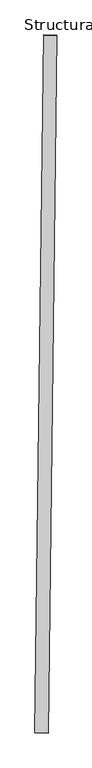
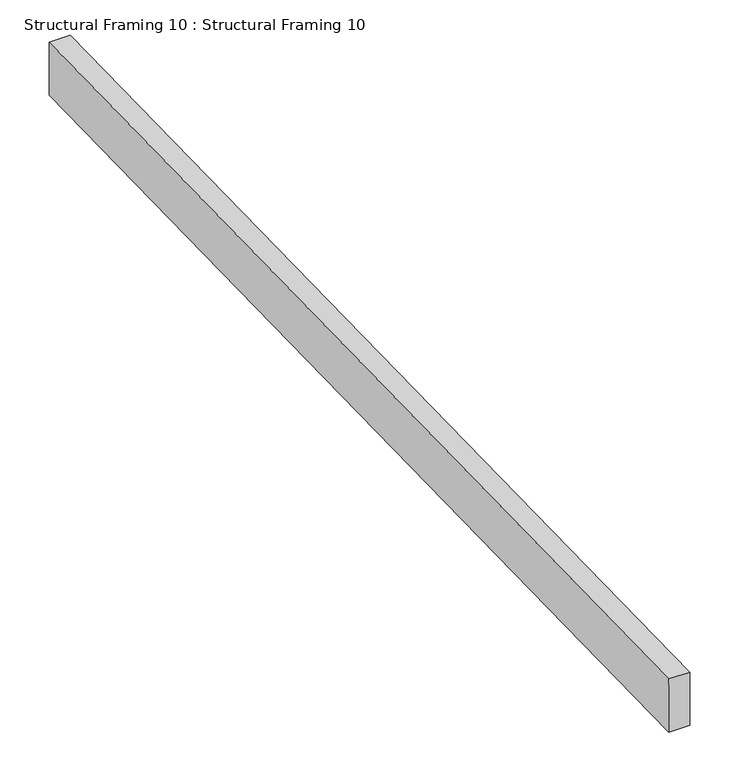
"""IFC4 building model written with IfcOpenShell, lengths in millimetres: beam geometry, Structural Framing 10 : Structural Framing 10."""

from ifc_helpers import new_model, si_unit, frame, origin, place, context, project, spatial, polyline, outline, extrude, source, transform, mapped, element, save


def structural_framing_10_structural_framing_10_008df139(model_context):
    return source(origin(), model_context, "Body", "SweptSolid", [
        extrude(outline(polyline([(0.0, -1797.8168273), (0.0, 0.0), (33.960043, -1e-07), (33.9600431, -1797.8168273), (0.0, -1797.8168273)])), frame((-40823.1295446, 34803.7357566, 110031.1170951), z_axis=(-4.0027356344356835e-05, -0.0031594828751153412, 0.9999950080204264), x_axis=(0.999919758408704, -0.012667941580195227, 0.0)), (0.0, 0.0, 1.0), 91.9956566),
    ])


if __name__ == "__main__":
    model = new_model("IFC4")
    model_context = context("Model", 3, world=origin())
    ifc_project = project(units=[si_unit("LENGTHUNIT", "METRE", prefix="MILLI")], contexts=[model_context])
    site = spatial("IfcSite", under=ifc_project)
    building = spatial("IfcBuilding", under=site)
    placement = place(None, origin())
    structural_framing_10_structural_framing_10_shape = structural_framing_10_structural_framing_10_008df139(model_context)
    element("IfcBeam", 1, ObjectType="Structural Framing 10 : Structural Framing 10", at=placement, inside=building, context=model_context, shape_type="MappedRepresentation", body=[
        mapped(structural_framing_10_structural_framing_10_shape, transform((0.0, 0.0, 0.0), x_axis=(1.0, 0.0, 0.0), y_axis=(0.0, 1.0, 0.0), z_axis=(0.0, 0.0, 1.0))),
    ])
    save(model, "model.ifc")
